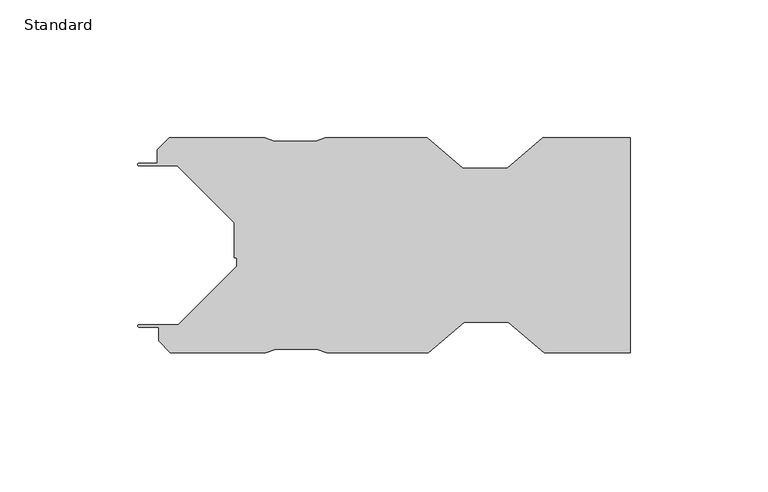
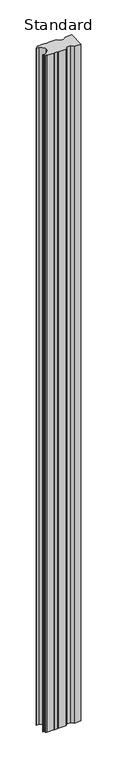
"""IFC4 building model written with IfcOpenShell, lengths in millimetres: plate geometry, Standard."""

from ifc_helpers import new_model, si_unit, point, frame_2d, origin, origin_with_axes, place, context, project, spatial, polyline, circle_curve, trimmed, segment, composite_curve, outline, extrude, source, transform, mapped, element, save


def standard_3913be1b(model_context):
    return source(origin(), model_context, "Body", "SweptSolid", [
        extrude(outline(composite_curve([segment(polyline([(15.6750009, 39.0), (28.6749986, 28.000002), (44.6750038, 28.000002), (57.6750015, 39.0), (89.4249998, 39.0), (89.4249998, -39.0), (58.1250015, -39.0), (45.1250038, -28.000002), (29.1249985, -28.000002), (16.1250009, -39.0), (-20.8749989, -39.0), (-24.3749989, -37.800026), (-39.3749991, -37.800026), (-42.8749381, -39.000002), (-77.5214698, -39.000002), (-81.8720256, -34.6494456), (-81.8720256, -29.750026), (-88.9749998, -29.750026)]), True, "CONTINUOUS"), segment(trimmed(circle_curve(frame_2d((-88.9749998, -29.300026)), 0.45), [point((-88.9749998, -29.750026))], [point((-88.9749998, -28.850026))], False, "CARTESIAN"), True, "CONTINUOUS"), segment(polyline([(-88.9749998, -28.850026), (-74.6785613, -28.850026), (-53.5118073, -7.683272), (-53.5118073, -4.613175), (-54.3118073, -4.613175), (-54.3118073, 8.033272), (-75.1285612, 28.8500259), (-88.9749998, 28.8500259)]), True, "CONTINUOUS"), segment(trimmed(circle_curve(frame_2d((-88.9749998, 29.3000259)), 0.4500001), [point((-88.9749998, 28.8500259))], [point((-88.9749998, 29.750026))], False, "CARTESIAN"), True, "CONTINUOUS"), segment(polyline([(-88.9749998, 29.750026), (-82.3249993, 29.750026), (-82.3249993, 34.6464725), (-77.9714452, 39.000026), (-43.3250081, 39.000026), (-39.8249991, 37.800026), (-24.8249978, 37.800026), (-21.324999, 39.0), (15.6750009, 39.0)]), True, "CONTINUOUS")], self_intersect=False)), origin_with_axes(), (0.0, 0.0, 1.0), 3497.7),
    ])


if __name__ == "__main__":
    model = new_model("IFC4")
    model_context = context("Model", 3, world=origin())
    ifc_project = project(units=[si_unit("LENGTHUNIT", "METRE", prefix="MILLI")], contexts=[model_context])
    site = spatial("IfcSite", under=ifc_project)
    building = spatial("IfcBuilding", under=site)
    placement = place(None, origin())
    standard_shape = standard_3913be1b(model_context)
    element("IfcPlate", 1, ObjectType="Standard", at=placement, inside=building, context=model_context, shape_type="MappedRepresentation", body=[
        mapped(standard_shape, transform((0.0, 0.0, 0.0), x_axis=(1.0, 0.0, 0.0), y_axis=(0.0, 1.0, 0.0), z_axis=(0.0, 0.0, 1.0))),
    ])
    save(model, "model.ifc")
